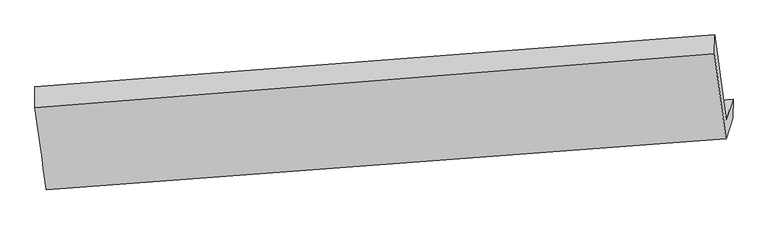
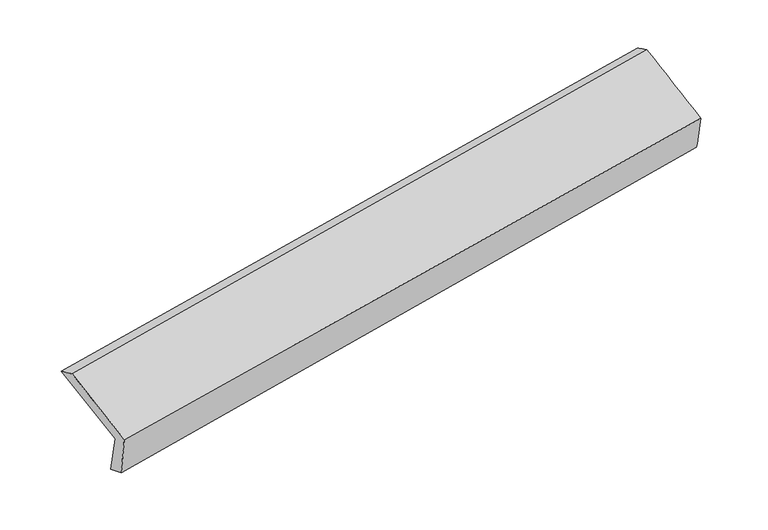
"""IFC4 building model written with IfcOpenShell, lengths in millimetres: proxy geometry."""

import ifcopenshell
import ifcopenshell.guid

model = None  # the IFC model being written
_history = None  # IfcOwnerHistory: only IFC2X3 demands one
_inside = {}  # id of a spatial element -> (the spatial element, [elements in it])
_under = {}  # id of a project, library or spatial element -> (it, [spatial elements below it])
_declared = {}  # id of a project -> (the project, [libraries it declares])
_typed = {}  # id of a type object -> (the type object, [elements of that type])
_made_of = {}  # id of a material, layer set ... -> (it, [elements and type objects made of it])


def new_model(schema):
    """Start an empty IFC model of exactly this schema.

    Asked for "IFC4X3", IfcOpenShell would pick the latest addendum, in which some entities
    have other attributes; the version numbers below select the first issue.
    IFC2X3 requires an IfcOwnerHistory on every rooted entity: one is made here for all.
    """
    global model, _history
    if schema == "IFC4X3":
        model = ifcopenshell.file(schema_version=(4, 3, 0, 0))
    else:
        model = ifcopenshell.file(schema=schema)
    _inside.clear()
    _under.clear()
    _declared.clear()
    _typed.clear()
    _made_of.clear()
    _history = None
    if model.schema == "IFC2X3":
        org = make("IfcOrganization", Name="unknown")
        user = make(
            "IfcPersonAndOrganization",
            ThePerson=make("IfcPerson", FamilyName="unknown"),
            TheOrganization=org,
        )
        app = make(
            "IfcApplication",
            ApplicationDeveloper=org,
            Version="unknown",
            ApplicationFullName="unknown",
            ApplicationIdentifier="unknown",
        )
        _history = make(
            "IfcOwnerHistory",
            OwningUser=user,
            OwningApplication=app,
            ChangeAction="ADDED",
            CreationDate=0,
        )
    return model


def make(cls, **values):
    """One entity of the class cls with the attributes given. An attribute that is None is left unset."""
    return model.create_entity(
        cls, **{name: value for name, value in values.items() if value is not None}
    )


def rooted(cls, **values):
    """An entity with a GlobalId (a new one), such as an element, a storey or a relation."""
    return make(cls, GlobalId=ifcopenshell.guid.new(), OwnerHistory=_history, **values)


def si_unit(unit_type, name, prefix=None):
    """IfcSIUnit, for example si_unit("LENGTHUNIT", "METRE", prefix="MILLI")."""
    return make("IfcSIUnit", UnitType=unit_type, Prefix=prefix, Name=name)


def assignment(units):
    """IfcUnitAssignment: the units of a project."""
    return None if units is None else make("IfcUnitAssignment", Units=units)


def point(xyz):
    """IfcCartesianPoint."""
    return None if xyz is None else make("IfcCartesianPoint", Coordinates=xyz)


def direction(xyz):
    """IfcDirection."""
    return None if xyz is None else make("IfcDirection", DirectionRatios=xyz)


def frame(location, z_axis=None, x_axis=None):
    """IfcAxis2Placement3D, a coordinate frame: its origin and axes. An axis left out is left unset."""
    return make(
        "IfcAxis2Placement3D",
        Location=point(location),
        Axis=direction(z_axis),
        RefDirection=direction(x_axis),
    )


def origin():
    """The frame at (0, 0, 0) with its axes left unset."""
    return frame((0.0, 0.0, 0.0))


def place(relative_to, where):
    """IfcLocalPlacement: puts the frame where relative to a parent placement (None: the world)."""
    return make(
        "IfcLocalPlacement", PlacementRelTo=relative_to, RelativePlacement=where
    )


def context(
    kind, dimensions, precision=None, world=None, true_north=None, identifier=None
):
    """IfcGeometricRepresentationContext, for example the 3D "Model" context."""
    return make(
        "IfcGeometricRepresentationContext",
        ContextIdentifier=identifier,
        ContextType=kind,
        CoordinateSpaceDimension=dimensions,
        Precision=precision,
        WorldCoordinateSystem=world,
        TrueNorth=true_north,
    )


def project(units=None, contexts=None):
    """IfcProject with its units and contexts."""
    return rooted(
        "IfcProject",
        Name="project",
        RepresentationContexts=contexts,
        UnitsInContext=assignment(units),
    )


def spatial(cls, under=None, at=None, **own):
    """A site, building, storey or space (cls), placed at a placement, below another one or the project."""
    s = rooted(cls, ObjectPlacement=at, **own)
    if under is not None:
        _under.setdefault(under.id(), (under, []))[1].append(s)
    return s


def shape(context_of_items, identifier, shape_type, items):
    """IfcShapeRepresentation: the items that make up one representation, for example the "Body"."""
    return make(
        "IfcShapeRepresentation",
        ContextOfItems=context_of_items,
        RepresentationIdentifier=identifier,
        RepresentationType=shape_type,
        Items=items,
    )


def source(mapping_origin, context_of_items, identifier, shape_type, items):
    """IfcRepresentationMap: a shape defined once, which mapped items show again and again."""
    return make(
        "IfcRepresentationMap",
        MappingOrigin=mapping_origin,
        MappedRepresentation=shape(context_of_items, identifier, shape_type, items),
    )


def transform(
    local_origin,
    x_axis=None,
    y_axis=None,
    z_axis=None,
    scale=None,
    scale2=None,
    scale3=None,
    uniform=True,
):
    """IfcCartesianTransformationOperator3D, or its non-uniform kind. x_axis, y_axis, z_axis: its Axis1, 2, 3."""
    if uniform:
        return make(
            "IfcCartesianTransformationOperator3D",
            Axis1=direction(x_axis),
            Axis2=direction(y_axis),
            LocalOrigin=point(local_origin),
            Scale=scale,
            Axis3=direction(z_axis),
        )
    return make(
        "IfcCartesianTransformationOperator3DnonUniform",
        Axis1=direction(x_axis),
        Axis2=direction(y_axis),
        LocalOrigin=point(local_origin),
        Scale=scale,
        Axis3=direction(z_axis),
        Scale2=scale2,
        Scale3=scale3,
    )


def mapped(mapping_source, mapping_target):
    """IfcMappedItem: shows the shape of a source again, moved by a transform."""
    return make(
        "IfcMappedItem", MappingSource=mapping_source, MappingTarget=mapping_target
    )


def made_of(thing, what):
    """Note that an element or type object is made of a material, layer set ...; save() writes the relation."""
    if what is not None:
        _made_of.setdefault(what.id(), (what, []))[1].append(thing)
    return thing


def element(
    cls,
    number,
    at=None,
    inside=None,
    cuts=None,
    type_object=None,
    material=None,
    context=None,
    identifier="Body",
    shape_type=None,
    held_by="IfcProductDefinitionShape",
    body=None,
    shapes=None,
    **own,
):
    """One element of the class cls, such as IfcWall. Its Tag is "e" and its number.

    at: its placement. inside: the storey or other place that contains it. cuts: it is an
    opening in that element (IfcRelVoidsElement). A single representation is given by context,
    identifier, shape_type and body (its items); several are given by shapes. held_by: the class
    of the entity that holds the representations. save() writes the other relations.
    """
    e = rooted(cls, Tag="e%d" % number, ObjectPlacement=at, **own)
    if body is not None:
        shapes = [shape(context, identifier, shape_type, body)]
    if shapes is not None:
        e.Representation = make(held_by, Representations=shapes)
    if inside is not None:
        _inside.setdefault(inside.id(), (inside, []))[1].append(e)
    if cuts is not None:
        rooted(
            "IfcRelVoidsElement", RelatingBuildingElement=cuts, RelatedOpeningElement=e
        )
    if type_object is not None:
        _typed.setdefault(type_object.id(), (type_object, []))[1].append(e)
    return made_of(e, material)


def aggregate(whole, parts):
    """IfcRelAggregates: a whole, such as a stair, and the parts it consists of."""
    return rooted("IfcRelAggregates", RelatingObject=whole, RelatedObjects=parts)


def save(model, path):
    """Write the relations noted so far, then the file.

    IfcRelAggregates (storeys below a building ...), IfcRelContainedInSpatialStructure (elements
    in a storey), IfcRelDefinesByType, IfcRelAssociatesMaterial and IfcRelDeclares: one each for
    every whole, place, type object, material and project.
    """
    for whole, parts in _under.values():
        aggregate(whole, parts)
    for where, things in _inside.values():
        rooted(
            "IfcRelContainedInSpatialStructure",
            RelatedElements=things,
            RelatingStructure=where,
        )
    for kind, things in _typed.values():
        rooted("IfcRelDefinesByType", RelatedObjects=things, RelatingType=kind)
    for what, things in _made_of.values():
        rooted("IfcRelAssociatesMaterial", RelatedObjects=things, RelatingMaterial=what)
    for by, libraries in _declared.values():
        rooted("IfcRelDeclares", RelatingContext=by, RelatedDefinitions=libraries)
    model.write(path)


def plane_surface(at):
    """IfcPlane: the flat surface through the origin of the frame at, square to its z axis."""
    return make("IfcPlane", Position=at)


def spline_surface(u_degree, v_degree, points, u_multiplicities, v_multiplicities, u_knots, v_knots, weights=None):
    """IfcBSplineSurfaceWithKnots; with weights, IfcRationalBSplineSurfaceWithKnots. points: one row for each step in u."""
    own = dict(
        UDegree=u_degree,
        VDegree=v_degree,
        ControlPointsList=[[point(p) for p in row] for row in points],
        SurfaceForm="UNSPECIFIED",
        UClosed=False,
        VClosed=False,
        SelfIntersect=False,
        UMultiplicities=u_multiplicities,
        VMultiplicities=v_multiplicities,
        UKnots=u_knots,
        VKnots=v_knots,
        KnotSpec="UNSPECIFIED",
    )
    if weights is None:
        return make("IfcBSplineSurfaceWithKnots", **own)
    return make("IfcRationalBSplineSurfaceWithKnots", WeightsData=weights, **own)


def advanced_brep(points, edges, surfaces, faces):
    """IfcAdvancedBrep: a solid bounded by faces that lie on surfaces and meet in shared edges.

    An edge is (start, end): straight between two places in points (the first is 0);
    or (start, end, curve); or (start, end, curve, False) where it runs against its curve.
    A face is (place in surfaces, loops), or (place, loops, False) where it looks against
    its surface's normal. A loop lists edges by number (the first is 1), with a minus sign
    where the edge is run from its end to its start. The first loop is the outer one.
    """
    corners = [point(p) for p in points]
    vertices = [make("IfcVertexPoint", VertexGeometry=c) for c in corners]
    made = []
    for start, end, *more in edges:
        made.append(
            make(
                "IfcEdgeCurve",
                EdgeStart=vertices[start],
                EdgeEnd=vertices[end],
                EdgeGeometry=more[0] if more else make("IfcPolyline", Points=[corners[start], corners[end]]),
                SameSense=more[1] if len(more) > 1 else True,
            )
        )
    hull = []
    for where, loops, *sense in faces:
        bounds = []
        for j, loop in enumerate(loops):
            ring = [make("IfcOrientedEdge", EdgeElement=made[abs(k) - 1], Orientation=k > 0) for k in loop]
            bounds.append(
                make(
                    "IfcFaceOuterBound" if j == 0 else "IfcFaceBound",
                    Bound=make("IfcEdgeLoop", EdgeList=ring),
                    Orientation=True,
                )
            )
        hull.append(make("IfcAdvancedFace", Bounds=bounds, FaceSurface=surfaces[where], SameSense=sense[0] if sense else True))
    return make("IfcAdvancedBrep", Outer=make("IfcClosedShell", CfsFaces=hull))


def generic_models_0dbe40b1(model_context):
    return source(origin(), model_context, "Body", "AdvancedBrep", [
        advanced_brep(
        [(-5324.0141071, -1879.4581706, 1512.5531905), (-5409.8451735, -1261.4203047, 1756.4983019), (-459.235842, -885.4228436, 2602.081888), (-373.8055462, -1503.6028391, 2358.0229269), (-5272.2877684, -1723.6084178, 1135.9056678), (-323.8820077, -1353.1848635, 1994.5025695), (-5271.6005912, -1874.5482488, 1197.4085885), (-324.9768176, -1494.2149644, 2061.9359905), (-5327.1586124, -2013.2390537, 1589.4804804), (-374.5844152, -1643.6810203, 2423.1558106), (-5410.1856424, -1415.3920207, 1825.4560881), (-460.6546384, -1020.8704631, 2669.0429287)],
        [
            (0, 1),
            (1, 2),
            (2, 3),
            (3, 0),
            (4, 0),
            (3, 5),
            (5, 4),
            (6, 4),
            (5, 7),
            (7, 6),
            (8, 6),
            (7, 9),
            (9, 8),
            (10, 8),
            (9, 11),
            (11, 10),
            (1, 10),
            (11, 2),
        ],
        [
            spline_surface(1, 1, [[(-5324.0141071, -1879.4581706, 1512.5531905), (-373.8055462, -1503.6028391, 2358.0229269)], [(-5409.8451735, -1261.4203047, 1756.4983019), (-459.235842, -885.4228436, 2602.081888)]], [2, 2], [2, 2], [0.0, 1.0], [0.0, 1.0]),
            plane_surface(frame((-5298.1509377, -1801.5332942, 1324.2294292), z_axis=(-0.13209531172743677, 0.922201608410715, 0.363448788778174), x_axis=(-0.12588945456602174, -0.37930077577289306, 0.9166693879077402))),
            spline_surface(1, 1, [[(-5271.6005912, -1874.5482488, 1197.4085885), (-324.9768176, -1494.2149644, 2061.9359905)], [(-5272.2877684, -1723.6084178, 1135.9056678), (-323.8820077, -1353.1848635, 1994.5025695)]], [2, 2], [2, 2], [0.0, 1.0], [0.0, 1.0]),
            spline_surface(1, 1, [[(-5327.1586124, -2013.2390537, 1589.4804804), (-374.5844152, -1643.6810203, 2423.1558106)], [(-5271.6005912, -1874.5482488, 1197.4085885), (-324.9768176, -1494.2149644, 2061.9359905)]], [2, 2], [2, 2], [0.0, 1.0], [0.0, 1.0]),
            spline_surface(1, 1, [[(-5410.1856424, -1415.3920207, 1825.4560881), (-460.6546384, -1020.8704631, 2669.0429287)], [(-5327.1586124, -2013.2390537, 1589.4804804), (-374.5844152, -1643.6810203, 2423.1558106)]], [2, 2], [2, 2], [0.0, 1.0], [0.0, 1.0]),
            spline_surface(1, 1, [[(-5409.8451735, -1261.4203047, 1756.4983019), (-459.235842, -885.4228436, 2602.081888)], [(-5410.1856424, -1415.3920207, 1825.4560881), (-460.6546384, -1020.8704631, 2669.0429287)]], [2, 2], [2, 2], [0.0, 1.0], [0.0, 1.0]),
            plane_surface(frame((-386.1898779, -1316.829499, 2351.4570191), z_axis=(0.9838178432982806, 0.0710165348321552, 0.1644965136054658), x_axis=(0.12588945456602169, 0.3793007757728938, -0.9166693879077399))),
            plane_surface(frame((-5335.8486492, -1694.611036, 1502.8837196), z_axis=(-0.9837371306089906, -0.07159914403615952, -0.16472650191902768), x_axis=(0.12811363350658694, -0.9224990428566141, -0.3641186796064861))),
        ],
        [
            (0, [[1, 2, 3, 4]]),
            (1, [[5, -4, 6, 7]]),
            (2, [[8, -7, 9, 10]]),
            (3, [[11, -10, 12, 13]]),
            (4, [[14, -13, 15, 16]]),
            (5, [[17, -16, 18, -2]]),
            (6, [[-12, -9, -6, -3, -18, -15]]),
            (7, [[-1, -5, -8, -11, -14, -17]]),
        ],
    ),
    ])


if __name__ == "__main__":
    model = new_model("IFC4")
    model_context = context("Model", 3, world=origin())
    ifc_project = project(units=[si_unit("LENGTHUNIT", "METRE", prefix="MILLI")], contexts=[model_context])
    site = spatial("IfcSite", under=ifc_project)
    building = spatial("IfcBuilding", under=site)
    placement = place(None, origin())
    generic_models_shape = generic_models_0dbe40b1(model_context)
    element("IfcBuildingElementProxy", 1, Name="Generic Models", at=placement, inside=building, context=model_context, shape_type="MappedRepresentation", body=[
        mapped(generic_models_shape, transform((0.0, 0.0, 0.0), x_axis=(1.0, 0.0, 0.0), y_axis=(0.0, 1.0, 0.0), z_axis=(0.0, 0.0, 1.0))),
    ])
    save(model, "model.ifc")
